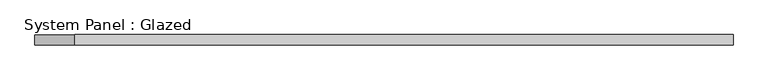
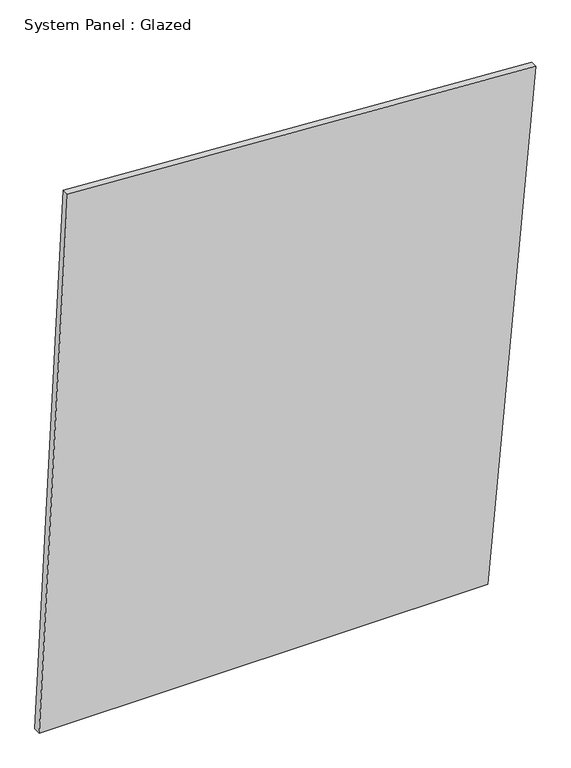
"""IFC4 building model written with IfcOpenShell, lengths in millimetres: plate geometry, System Panel : Glazed."""

from ifc_helpers import new_model, si_unit, frame, origin, place, context, project, spatial, polyline, outline, extrude, source, transform, mapped, element, save


def system_panel_glazed_d4bd1e1b(model_context):
    return source(origin(), model_context, "Body", "SweptSolid", [
        extrude(outline(polyline([(0.0, -859.3358661), (0.0, 693.1218942), (1837.2237194, 859.3358661), (1936.3037585, -761.2396383), (0.0, -859.3358661)])), frame((0.0, 24.5, 0.0), z_axis=(0.0, 1.0, 0.0), x_axis=(0.0, 0.0, 1.0)), (0.0, 0.0, 1.0), 25.0),
    ])


if __name__ == "__main__":
    model = new_model("IFC4")
    model_context = context("Model", 3, world=origin())
    ifc_project = project(units=[si_unit("LENGTHUNIT", "METRE", prefix="MILLI")], contexts=[model_context])
    site = spatial("IfcSite", under=ifc_project)
    building = spatial("IfcBuilding", under=site)
    placement = place(None, origin())
    system_panel_glazed_shape = system_panel_glazed_d4bd1e1b(model_context)
    element("IfcPlate", 1, ObjectType="System Panel : Glazed", at=placement, inside=building, context=model_context, shape_type="MappedRepresentation", body=[
        mapped(system_panel_glazed_shape, transform((0.0, 0.0, 0.0), x_axis=(1.0, 0.0, 0.0), y_axis=(0.0, 1.0, 0.0), z_axis=(0.0, 0.0, 1.0))),
    ])
    save(model, "model.ifc")
